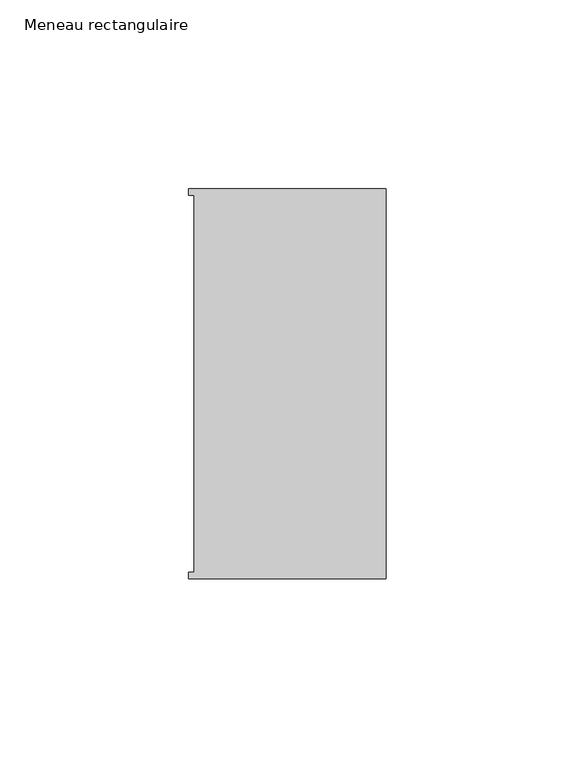
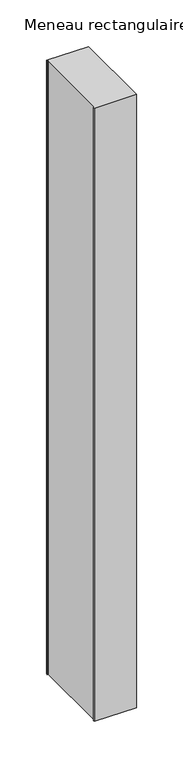
"""IFC4 building model written with IfcOpenShell, lengths in millimetres: member geometry, Meneau rectangulaire."""

from ifc_helpers import new_model, si_unit, frame, origin, place, context, project, spatial, polyline, outline, extrude, source, transform, mapped, element, save


def meneau_rectangulaire_ec35f35f(model_context):
    return source(origin(), model_context, "Body", "SweptSolid", [
        extrude(outline(polyline([(-52.3, 51.6531441), (0.0, 51.6531441), (0.0, -51.6130012), (-52.3, -51.6130012), (-52.3, -49.9174099), (-50.9, -49.9174099), (-50.9, 49.9174073), (-52.3, 49.9174073), (-52.3, 51.6531441)])), frame((0.0, 0.0, -804.5555092), z_axis=(0.0, 0.0, 1.0), x_axis=(1.0, 0.0, 0.0)), (0.0, 0.0, 1.0), 804.5555092),
    ])


if __name__ == "__main__":
    model = new_model("IFC4")
    model_context = context("Model", 3, world=origin())
    ifc_project = project(units=[si_unit("LENGTHUNIT", "METRE", prefix="MILLI")], contexts=[model_context])
    site = spatial("IfcSite", under=ifc_project)
    building = spatial("IfcBuilding", under=site)
    placement = place(None, origin())
    meneau_rectangulaire_shape = meneau_rectangulaire_ec35f35f(model_context)
    element("IfcMember", 1, ObjectType="Meneau rectangulaire", at=placement, inside=building, context=model_context, shape_type="MappedRepresentation", body=[
        mapped(meneau_rectangulaire_shape, transform((0.0, 0.0, 0.0), x_axis=(1.0, 0.0, 0.0), y_axis=(0.0, 1.0, 0.0), z_axis=(0.0, 0.0, 1.0))),
    ])
    save(model, "model.ifc")
